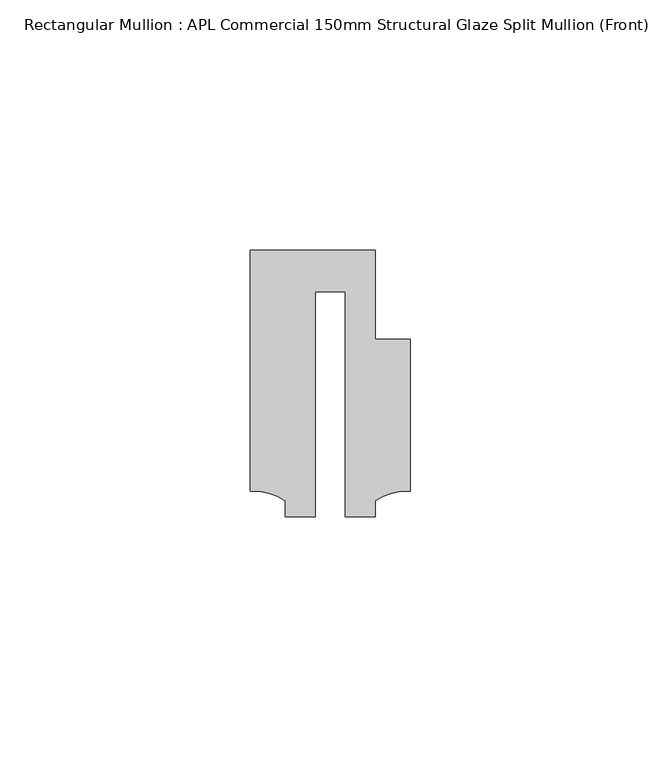
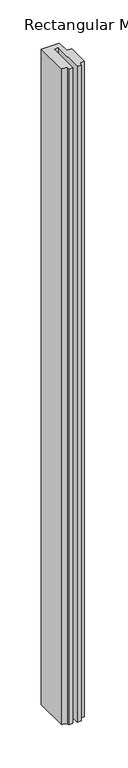
"""IFC4 building model written with IfcOpenShell, lengths in millimetres: member geometry, Rectangular Mullion : APL Commercial 150mm Structural Glaze Split Mullion (Front)."""

from ifc_helpers import new_model, si_unit, point, frame, frame_2d, origin, place, context, project, spatial, polyline, circle_curve, trimmed, segment, composite_curve, outline, extrude, source, transform, mapped, element, save


def rectangular_mullion_apl_commercial_150mm_structural_glaze_e9ac7ace(model_context):
    return source(origin(), model_context, "Body", "SweptSolid", [
        extrude(outline(composite_curve([segment(polyline([(15.9999391, 14.9953356), (15.9999391, -15.3837352)]), True, "CONTINUOUS"), segment(trimmed(circle_curve(frame_2d((15.1098019, -25.802169)), 10.4563907), [point((15.9999391, -15.3837352))], [point((8.9999842, -17.3165203))], True, "CARTESIAN"), True, "CONTINUOUS"), segment(polyline([(8.9999842, -17.3165203), (8.9999842, -20.5039877), (2.9999676, -20.5039877), (2.9999676, 24.5130805), (-2.9999659, 24.5130805), (-2.9999659, -20.5039877), (-8.9999842, -20.5039877), (-8.9999842, -17.3165203)]), True, "CONTINUOUS"), segment(trimmed(circle_curve(frame_2d((-15.1098019, -25.802169)), 10.4563907), [point((-8.9999842, -17.3165203))], [point((-15.9999391, -15.3837352))], True, "CARTESIAN"), True, "CONTINUOUS"), segment(polyline([(-15.9999391, -15.3837352), (-15.9999391, 32.7960123), (9.0, 32.7960123), (9.0, 14.9953356), (15.9999391, 14.9953356)]), True, "CONTINUOUS")], self_intersect=False)), frame((0.0, 0.0, -966.3333874), z_axis=(0.0, 0.0, 1.0), x_axis=(1.0, 0.0, 0.0)), (0.0, 0.0, 1.0), 966.3333874),
    ])


if __name__ == "__main__":
    model = new_model("IFC4")
    model_context = context("Model", 3, world=origin())
    ifc_project = project(units=[si_unit("LENGTHUNIT", "METRE", prefix="MILLI")], contexts=[model_context])
    site = spatial("IfcSite", under=ifc_project)
    building = spatial("IfcBuilding", under=site)
    placement = place(None, origin())
    rectangular_mullion_apl_commercial_150mm_structural_glaze_shape = rectangular_mullion_apl_commercial_150mm_structural_glaze_e9ac7ace(model_context)
    element("IfcMember", 1, ObjectType="Rectangular Mullion : APL Commercial 150mm Structural Glaze Split Mullion (Front)", at=placement, inside=building, context=model_context, shape_type="MappedRepresentation", body=[
        mapped(rectangular_mullion_apl_commercial_150mm_structural_glaze_shape, transform((0.0, 0.0, 0.0), x_axis=(1.0, 0.0, 0.0), y_axis=(0.0, 1.0, 0.0), z_axis=(0.0, 0.0, 1.0))),
    ])
    save(model, "model.ifc")
